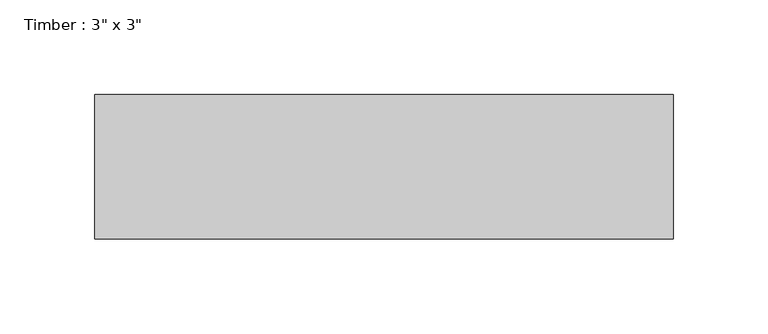
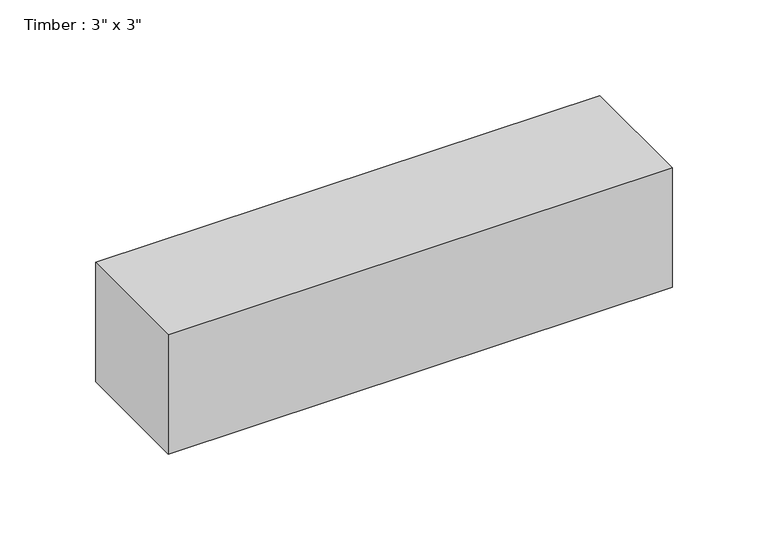
"""IFC4 building model written with IfcOpenShell, lengths in millimetres: beam geometry."""

from ifc_helpers import new_model, si_unit, frame, origin, place, context, project, spatial, polyline, outline, extrude, source, transform, mapped, element, save


def beam_8769473c(model_context):
    return source(origin(), model_context, "Body", "SweptSolid", [
        extrude(outline(polyline([(152.4, 38.1), (152.4, -38.1), (-152.4, -38.1), (-152.4, 38.1), (152.4, 38.1)])), frame((0.0, 0.0, -38.1), z_axis=(0.0, 0.0, 1.0), x_axis=(1.0, 0.0, 0.0)), (0.0, 0.0, 1.0), 76.2),
    ])


if __name__ == "__main__":
    model = new_model("IFC4")
    model_context = context("Model", 3, world=origin())
    ifc_project = project(units=[si_unit("LENGTHUNIT", "METRE", prefix="MILLI")], contexts=[model_context])
    site = spatial("IfcSite", under=ifc_project)
    building = spatial("IfcBuilding", under=site)
    placement = place(None, origin())
    beam_shape = beam_8769473c(model_context)
    element("IfcBeam", 1, ObjectType="Timber : 3\" x 3\"", at=placement, inside=building, context=model_context, shape_type="MappedRepresentation", body=[
        mapped(beam_shape, transform((0.0, 0.0, 0.0), x_axis=(1.0, 0.0, 0.0), y_axis=(0.0, 1.0, 0.0), z_axis=(0.0, 0.0, 1.0))),
    ])
    save(model, "model.ifc")
